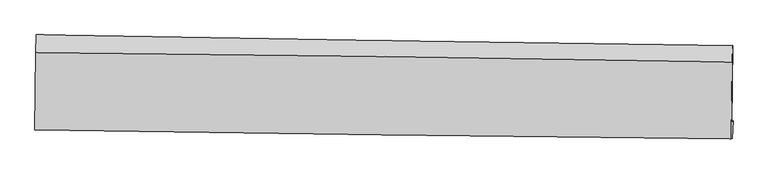
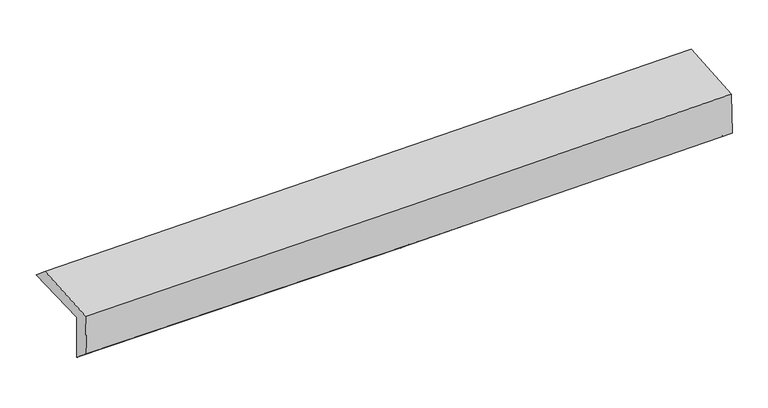
"""IFC4 building model written with IfcOpenShell, lengths in millimetres: proxy geometry."""

from ifc_helpers import new_model, si_unit, frame, origin, place, context, project, spatial, source, transform, mapped, element, save
from ifc_brep_helpers import plane_surface, spline_curve, spline_surface, advanced_brep


def generic_models_8dc5ff11(model_context):
    return source(origin(), model_context, "Body", "AdvancedBrep", [
        advanced_brep(
        [(-3024.1017454, -1757.7161252, 1964.5354368), (-3015.7456062, -1087.4967959, 1982.1359306), (3010.2400137, -1183.3854815, 2133.7887587), (3001.356519, -1848.3155159, 2108.7777178), (-3013.0675681, -1742.5043895, 1556.2052909), (3012.1207552, -1833.4759215, 1710.4369985), (-3018.8654635, -1907.468091, 1692.8776362), (3006.8053864, -1987.3362441, 1827.7168592), (-3029.0467535, -1912.3293184, 2074.1981054), (2996.2366606, -1992.3881392, 2223.981363), (-3021.1303728, -1241.5714271, 2108.6403001), (3004.9437102, -1322.3785055, 2258.4068921)],
        [
            (0, 1),
            (1, 2, spline_curve(3, [(-3015.7456062, -1087.4967959, 1982.1359306), (-2010.8518167, -1103.770155494, 1986.486132168), (-1006.217444076, -1119.897903185, 2001.299981716), (1002.444383886, -1151.860772564, 2051.852759619), (2006.471884247, -1167.695920133, 2087.589852765), (3010.2400137, -1183.3854815, 2133.7887587)], [4, 2, 4], [0.0, 9.889781937570074, 19.77869653037617])),
            (2, 3),
            (3, 0, spline_curve(3, [(3001.356519, -1848.3155159, 2108.7777178), (1997.647989047, -1831.935269227, 2066.365017843), (993.694232287, -1816.195499484, 2033.138602083), (-1014.791813168, -1785.995590375, 1985.056230186), (-2019.324144025, -1771.535562871, 1970.2018856), (-3024.1017454, -1757.7161252, 1964.5354368)], [4, 2, 4], [0.0, 9.888914592806096, 19.77869653037617])),
            (4, 0),
            (3, 5),
            (5, 4, spline_curve(3, [(3012.1207552, -1833.4759215, 1710.4369985), (2008.277264661, -1817.281731771, 1673.01864677), (1004.27851737, -1801.603985729, 1641.45713535), (-1004.117562906, -1771.280051292, 1590.045538724), (-2008.514923769, -1756.633953295, 1570.196480945), (-3013.0675681, -1742.5043895, 1556.2052909)], [4, 2, 4], [0.0, 9.888057797042192, 19.776982863699843])),
            (6, 4),
            (5, 7),
            (7, 6, spline_curve(3, [(3006.8053864, -1987.3362441, 1827.7168592), (2002.664650247, -1976.448268624, 1800.007007941), (998.477066549, -1964.348946112, 1774.915858415), (-1010.079875138, -1937.726441225, 1729.968991153), (-2014.449241508, -1923.203045507, 1710.113733346), (-3018.8654635, -1907.468091, 1692.8776362)], [4, 2, 4], [0.0, 9.887742038317885, 19.77635131855641])),
            (8, 6),
            (7, 9),
            (9, 8, spline_curve(3, [(2996.2366606, -1992.3881392, 2223.981363), (1992.115185847, -1981.48986336, 2195.465997619), (987.969516966, -1969.369503348, 2168.726846126), (-1020.458283693, -1942.683443803, 2118.798782205), (-2024.740419394, -1928.1175304, 2095.610180876), (-3029.0467535, -1912.3293184, 2074.1981054)], [4, 2, 4], [0.0, 9.887542265712478, 19.77595175582378])),
            (10, 8),
            (9, 11),
            (11, 10, spline_curve(3, [(3004.9437102, -1322.3785055, 2258.4068921), (2000.75202827, -1304.859417402, 2230.227455392), (996.505370943, -1289.366156601, 2203.657664265), (-1012.185980427, -1262.430108387, 2153.735184711), (-2016.630684156, -1250.987676505, 2130.382778418), (-3021.1303728, -1241.5714271, 2108.6403001)], [4, 2, 4], [0.0, 9.888157963668847, 19.777183205738645])),
            (1, 10),
            (11, 2),
        ],
        [
            spline_surface(3, 3, [[(-3024.1017454, -1757.7161252, 1964.5354368), (-2019.324144119, -1771.535562966, 1970.201885676), (-1014.791813004, -1785.995590303, 1985.056230203), (993.694232123, -1816.195499557, 2033.138602066), (1997.647989117, -1831.935269124, 2066.365017826), (3001.356519, -1848.3155159, 2108.7777178)], [(-3021.31636567, -1534.309682107, 1970.402268083), (-2016.500035014, -1548.947093784, 1975.62996785), (-1011.933690012, -1563.963027885, 1990.470814027), (996.610949343, -1594.750590606, 2039.376654594), (2000.589287506, -1610.522152842, 2073.439962823), (3004.317683898, -1626.672171106, 2117.114731437)], [(-3018.53098593, -1310.903238993, 1976.269099317), (-2013.6759259, -1326.358624579, 1981.058049976), (-1009.075566993, -1341.930465464, 1995.885397856), (999.527666591, -1373.305681653, 2045.614707128), (2003.530585903, -1389.109036542, 2080.51490781), (3007.278848802, -1405.028826294, 2125.451745063)], [(-3015.7456062, -1087.4967959, 1982.1359306), (-2010.851816795, -1103.770155397, 1986.48613215), (-1006.217444001, -1119.897903046, 2001.29998168), (1002.444383812, -1151.860772703, 2051.852759656), (2006.471884292, -1167.69592026, 2087.589852806), (3010.2400137, -1183.3854815, 2133.7887587)]], [4, 4], [4, 2, 4], [0.0, 2.1834063441393523], [0.0, 9.889781937570074, 19.77869653037617]),
            spline_surface(3, 3, [[(-3013.0675681, -1742.5043895, 1556.2052909), (-2008.514923685, -1756.633953186, 1570.196480931), (-1004.117563033, -1771.280051211, 1590.045538716), (1004.278517497, -1801.60398581, 1641.457135358), (2008.277264612, -1817.281731781, 1673.018646765), (3012.1207552, -1833.4759215, 1710.4369985)], [(-3016.745627207, -1747.574968059, 1692.315339514), (-2012.11799717, -1761.601156438, 1703.531615827), (-1007.675646328, -1776.185230911, 1721.715769189), (1000.750422401, -1806.467823728, 1772.017624237), (2004.734172786, -1822.166244217, 1804.134103786), (3008.532676472, -1838.422452955, 1843.217238267)], [(-3020.423686293, -1752.645546641, 1828.425388186), (-2015.721070634, -1766.568359714, 1836.866750781), (-1011.233729709, -1781.090410602, 1853.385999731), (997.222327219, -1811.331661638, 1902.578113187), (2001.191080943, -1827.050756688, 1935.249560806), (3004.944597728, -1843.368984445, 1975.997478033)], [(-3024.1017454, -1757.7161252, 1964.5354368), (-2019.324144119, -1771.535562966, 1970.201885676), (-1014.791813004, -1785.995590303, 1985.056230203), (993.694232123, -1816.195499557, 2033.138602066), (1997.647989117, -1831.935269124, 2066.365017826), (3001.356519, -1848.3155159, 2108.7777178)]], [4, 4], [4, 2, 4], [0.0, 1.2918719431133412], [0.0, 9.88892506665765, 19.776982863699843]),
            spline_surface(3, 3, [[(-3018.8654635, -1907.468091, 1692.8776362), (-2014.44924161, -1923.203045601, 1710.113733193), (-1010.079875163, -1937.726441084, 1729.968991259), (998.477066573, -1964.348946253, 1774.91585831), (2002.664650117, -1976.44826853, 1800.007007915), (3006.8053864, -1987.3362441, 1827.7168592)], [(-3016.932831715, -1852.4801905, 1647.32018777), (-2012.47113565, -1867.680014795, 1663.474649109), (-1008.092437804, -1882.244311105, 1683.327840438), (1000.41088353, -1910.100626084, 1730.429617353), (2004.535521613, -1923.392756312, 1757.677554207), (3008.577175997, -1936.049469931, 1788.623572309)], [(-3015.000199885, -1797.49229, 1601.76273933), (-2010.493029645, -1812.156983991, 1616.835565015), (-1006.105000392, -1826.76218119, 1636.686689537), (1002.34470054, -1855.852305979, 1685.943376315), (2006.406393117, -1870.337243999, 1715.348100473), (3010.348965603, -1884.762695669, 1749.530285391)], [(-3013.0675681, -1742.5043895, 1556.2052909), (-2008.514923685, -1756.633953186, 1570.196480931), (-1004.117563033, -1771.280051211, 1590.045538716), (1004.278517497, -1801.60398581, 1641.457135358), (2008.277264612, -1817.281731781, 1673.018646765), (3012.1207552, -1833.4759215, 1710.4369985)]], [4, 4], [4, 2, 4], [0.0, 0.7022140769104561], [0.0, 9.888609280238526, 19.77635131855641]),
            spline_surface(3, 3, [[(-3029.0467535, -1912.3293184, 2074.1981054), (-2024.740419399, -1928.117530543, 2095.610180904), (-1020.458283581, -1942.683443967, 2118.798782109), (987.969516854, -1969.369503183, 2168.726846222), (1992.115185777, -1981.489863358, 2195.465997577), (2996.2366606, -1992.3881392, 2223.981363)], [(-3025.652990171, -1910.708909288, 1947.091282326), (-2021.310026807, -1926.479368917, 1967.111364993), (-1016.99881411, -1941.031109681, 1989.188851822), (991.472033426, -1967.695984215, 2037.456516914), (1995.631673895, -1979.809331739, 2063.64633436), (2999.759569205, -1990.704174157, 2091.893195071)], [(-3022.259226829, -1909.088500112, 1819.984459274), (-2017.879634202, -1924.841207227, 1838.612549104), (-1013.539344634, -1939.37877537, 1859.578921546), (994.974550002, -1966.022465222, 1906.186187618), (1999.148161999, -1978.128800149, 1931.826671131), (3003.282477795, -1989.020209143, 1959.805027129)], [(-3018.8654635, -1907.468091, 1692.8776362), (-2014.44924161, -1923.203045601, 1710.113733193), (-1010.079875163, -1937.726441084, 1729.968991259), (998.477066573, -1964.348946253, 1774.91585831), (2002.664650117, -1976.44826853, 1800.007007915), (3006.8053864, -1987.3362441, 1827.7168592)]], [4, 4], [4, 2, 4], [0.0, 1.2844201993605402], [0.0, 9.888409490111302, 19.77595175582378]),
            spline_surface(3, 3, [[(-3021.1303728, -1241.5714271, 2108.6403001), (-2016.630684132, -1250.987676419, 2130.382778342), (-1012.18598042, -1262.43010841, 2153.735184624), (996.505370936, -1289.366156577, 2203.657664352), (2000.752028224, -1304.859417414, 2230.22745536), (3004.9437102, -1322.3785055, 2258.4068921)], [(-3023.769166368, -1465.157390851, 2097.159568557), (-2019.333929222, -1476.697627778, 2118.791912553), (-1014.943414811, -1489.181220247, 2142.089717097), (993.660086238, -1516.033938764, 2192.014058287), (1997.87308072, -1530.402899395, 2218.640302754), (3002.041360312, -1545.715050066, 2246.931715722)], [(-3026.407959932, -1688.743354649, 2085.678836943), (-2022.037174309, -1702.407579184, 2107.201046693), (-1017.70084919, -1715.93233213, 2130.444249636), (990.814801552, -1742.701720996, 2180.370452287), (1994.994133281, -1755.946381377, 2207.053150183), (2999.139010488, -1769.051594634, 2235.456539378)], [(-3029.0467535, -1912.3293184, 2074.1981054), (-2024.740419399, -1928.117530543, 2095.610180904), (-1020.458283581, -1942.683443967, 2118.798782109), (987.969516854, -1969.369503183, 2168.726846222), (1992.115185777, -1981.489863358, 2195.465997577), (2996.2366606, -1992.3881392, 2223.981363)]], [4, 4], [4, 2, 4], [0.0, 2.2345038242001327], [0.0, 9.889025242069797, 19.777183205738645]),
            spline_surface(3, 3, [[(-3015.7456062, -1087.4967959, 1982.1359306), (-2010.851816795, -1103.770155397, 1986.48613215), (-1006.217444001, -1119.897903046, 2001.29998168), (1002.444383812, -1151.860772703, 2051.852759656), (2006.471884292, -1167.69592026, 2087.589852806), (3010.2400137, -1183.3854815, 2133.7887587)], [(-3017.540528371, -1138.855006295, 2024.30405375), (-2012.778105878, -1152.842662399, 2034.451680864), (-1008.206956137, -1167.408638191, 2052.111716019), (1000.464712857, -1197.695900685, 2102.454394579), (2004.565265619, -1213.417085962, 2135.13572032), (3008.474579217, -1229.716489484, 2175.328136496)], [(-3019.335450629, -1190.213216705, 2066.47217695), (-2014.704395049, -1201.915169416, 2082.417229628), (-1010.196468284, -1214.919373265, 2102.923450285), (998.485041891, -1243.531028595, 2153.056029429), (2002.658646897, -1259.138251712, 2182.681587846), (3006.709144683, -1276.047497516, 2216.867514304)], [(-3021.1303728, -1241.5714271, 2108.6403001), (-2016.630684132, -1250.987676419, 2130.382778342), (-1012.18598042, -1262.43010841, 2153.735184624), (996.505370936, -1289.366156577, 2203.657664352), (2000.752028224, -1304.859417414, 2230.22745536), (3004.9437102, -1322.3785055, 2258.4068921)]], [4, 4], [4, 2, 4], [0.0, 0.6785970722102848], [0.0, 9.889988605972484, 19.779109849055942]),
            plane_surface(frame((3005.2838408, -1694.5466346, 2043.8514316), z_axis=(0.9995464526416196, -0.0143498618018412, 0.026475847065260884), x_axis=(0.026659241244103297, 0.01274322877957815, -0.9995633521576109))),
            plane_surface(frame((-3020.3262516, -1608.1810245, 1896.4321167), z_axis=(-0.9995616555707865, 0.013158755854771807, -0.026520630779504957), x_axis=(-0.012462503365249811, -0.9995777302638834, -0.026249708005504115))),
        ],
        [
            (0, [[1, 2, 3, 4]]),
            (1, [[5, -4, 6, 7]]),
            (2, [[8, -7, 9, 10]]),
            (3, [[11, -10, 12, 13]]),
            (4, [[14, -13, 15, 16]]),
            (5, [[17, -16, 18, -2]]),
            (6, [[-12, -9, -6, -3, -18, -15]]),
            (7, [[-1, -5, -8, -11, -14, -17]]),
        ],
    ),
    ])


if __name__ == "__main__":
    model = new_model("IFC4")
    model_context = context("Model", 3, world=origin())
    ifc_project = project(units=[si_unit("LENGTHUNIT", "METRE", prefix="MILLI")], contexts=[model_context])
    site = spatial("IfcSite", under=ifc_project)
    building = spatial("IfcBuilding", under=site)
    placement = place(None, origin())
    generic_models_shape = generic_models_8dc5ff11(model_context)
    element("IfcBuildingElementProxy", 1, Name="Generic Models", at=placement, inside=building, context=model_context, shape_type="MappedRepresentation", body=[
        mapped(generic_models_shape, transform((0.0, 0.0, 0.0), x_axis=(1.0, 0.0, 0.0), y_axis=(0.0, 1.0, 0.0), z_axis=(0.0, 0.0, 1.0))),
    ])
    save(model, "model.ifc")
